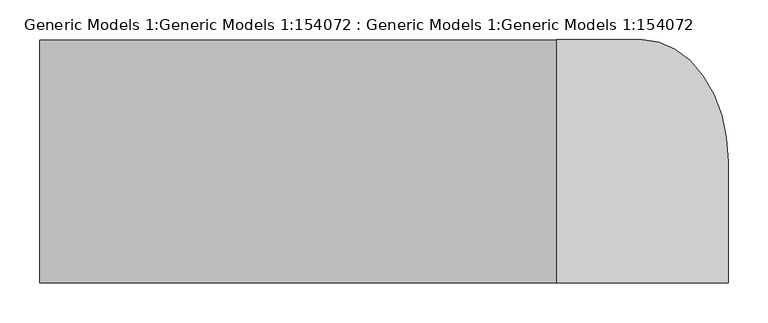
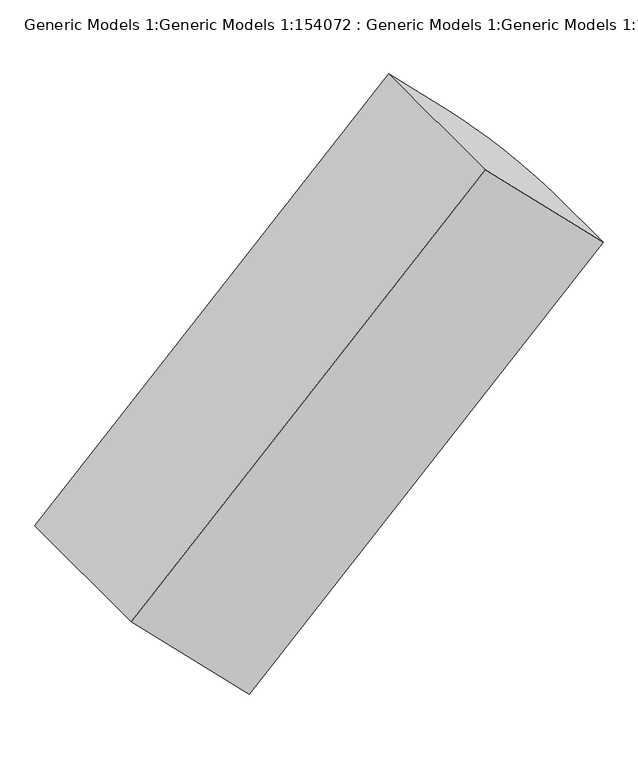
"""IFC4 building model written with IfcOpenShell, lengths in millimetres: proxy geometry, Generic Models 1:Generic Models 1:154072 : Generic Models 1:Generic Models 1:154072."""

from ifc_helpers import new_model, si_unit, point, frame, frame_2d, origin, place, context, project, spatial, polyline, circle_curve, trimmed, segment, composite_curve, outline, extrude, source, transform, mapped, element, save


def generic_models_1_generic_models_1_154072_generic_models_1_7e31c89c(model_context):
    return source(origin(), model_context, "Body", "SweptSolid", [
        extrude(outline(composite_curve([segment(polyline([(0.0, 0.0), (0.0, -304.8), (-152.4, -304.8)]), True, "CONTINUOUS"), segment(trimmed(circle_curve(frame_2d((-152.4, -152.4)), 152.4), [point((-152.4, -304.8))], [point((-304.8, -152.4))], False, "CARTESIAN"), True, "CONTINUOUS"), segment(polyline([(-304.8, -152.4), (-304.8, 0.0), (0.0, 0.0)]), True, "CONTINUOUS")], self_intersect=False)), frame((-431.0522938, -152.4, 1460.8738531), z_axis=(0.7071067811865476, 0.0, 0.7071067811865475), x_axis=(-0.7071067811865475, 0.0, 0.7071067811865476)), (0.0, 0.0, 1.0), 914.4),
    ])


if __name__ == "__main__":
    model = new_model("IFC4")
    model_context = context("Model", 3, world=origin())
    ifc_project = project(units=[si_unit("LENGTHUNIT", "METRE", prefix="MILLI")], contexts=[model_context])
    site = spatial("IfcSite", under=ifc_project)
    building = spatial("IfcBuilding", under=site)
    placement = place(None, origin())
    generic_models_1_generic_models_1_154072_generic_models_1_shape = generic_models_1_generic_models_1_154072_generic_models_1_7e31c89c(model_context)
    element("IfcBuildingElementProxy", 1, Name="Generic Models 1:Generic Models 1:154072 : Generic Models 1:Generic Models 1:154072", ObjectType="Generic Models 1:Generic Models 1:154072 : Generic Models 1:Generic Models 1:154072", at=placement, inside=building, context=model_context, shape_type="MappedRepresentation", body=[
        mapped(generic_models_1_generic_models_1_154072_generic_models_1_shape, transform((0.0, 0.0, 0.0), x_axis=(1.0, 0.0, 0.0), y_axis=(0.0, 1.0, 0.0), z_axis=(0.0, 0.0, 1.0))),
    ])
    save(model, "model.ifc")
